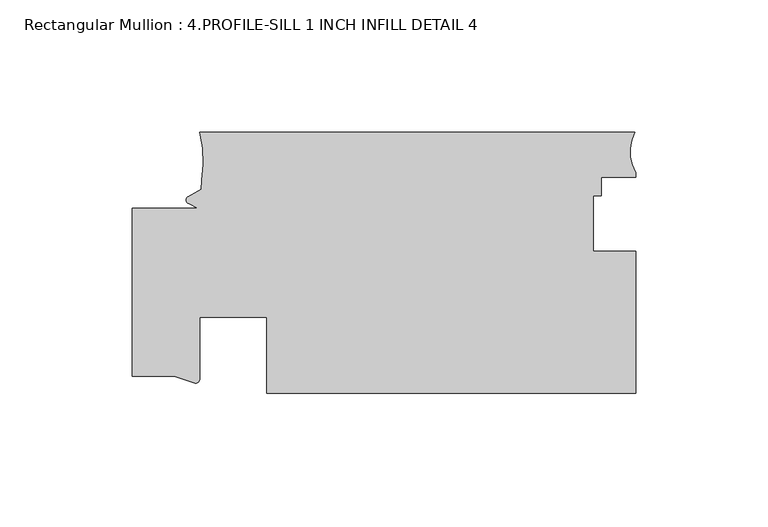
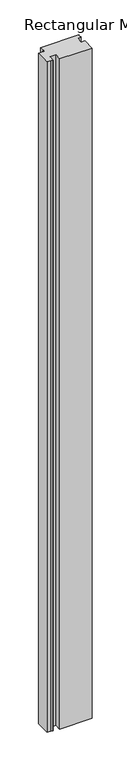
"""IFC4 building model written with IfcOpenShell, lengths in millimetres: member geometry, Rectangular Mullion : 4.PROFILE-SILL 1 INCH INFILL DETAIL 4."""

from ifc_helpers import new_model, si_unit, point, frame, frame_2d, origin, place, context, project, spatial, polyline, circle_curve, trimmed, segment, composite_curve, outline, extrude, source, transform, mapped, element, save


def rectangular_mullion_4_profile_sill_1_inch_infill_detail_4_9ea52e10(model_context):
    return source(origin(), model_context, "Body", "SweptSolid", [
        extrude(outline(composite_curve([segment(polyline([(-139.1915475, -55.1788868), (-139.1921293, -26.604), (-164.592, -26.604), (-164.592, -49.861753)]), True, "CONTINUOUS"), segment(trimmed(circle_curve(frame_2d((-166.293412, -49.780124)), 1.703369), [point((-164.592, -49.861753))], [point((-166.1804292, -51.4797419))], False, "CARTESIAN"), True, "CONTINUOUS"), segment(polyline([(-166.1804292, -51.4797419), (-174.1170977, -48.8288868), (-189.992, -48.8288868), (-189.992, 14.6711132), (-165.3994238, 14.6711132), (-168.8755101, 16.4496588)]), True, "CONTINUOUS"), segment(trimmed(circle_curve(frame_2d((-168.3355965, 17.7381084)), 1.397), [point((-168.8755101, 16.4496588))], [point((-168.8755101, 19.0265579))], False, "CARTESIAN"), True, "CONTINUOUS"), segment(polyline([(-168.8755101, 19.0265579), (-164.0473677, 21.7862854), (-163.8352621, 25.2126147)]), True, "CONTINUOUS"), segment(trimmed(circle_curve(frame_2d((-202.5728025, 32.619702)), 39.4393455), [point((-163.8352621, 25.2126147))], [point((-164.592, 43.2461132))], True, "CARTESIAN"), True, "CONTINUOUS"), segment(polyline([(-164.592, 43.2461132), (-0.381, 43.2461132)]), True, "CONTINUOUS"), segment(trimmed(circle_curve(frame_2d((13.7989391, 36.0134625)), 15.9179744), [point((-0.381, 43.2461132))], [point((0.0, 28.0780237))], True, "CARTESIAN"), True, "CONTINUOUS"), segment(polyline([(0.0, 28.0780237), (0.0, 26.2408119), (-13.0437992, 26.2408119), (-13.0437992, 19.3828121), (-15.8984045, 19.3828121), (-15.8984045, -1.5638371), (0.0, -1.5638371), (0.0, -55.1788868), (-139.1915475, -55.1788868)]), True, "CONTINUOUS")], self_intersect=False)), frame((0.0, 0.0, -3048.0), z_axis=(0.0, 0.0, 1.0), x_axis=(1.0, 0.0, 0.0)), (0.0, 0.0, 1.0), 3048.0),
    ])


if __name__ == "__main__":
    model = new_model("IFC4")
    model_context = context("Model", 3, world=origin())
    ifc_project = project(units=[si_unit("LENGTHUNIT", "METRE", prefix="MILLI")], contexts=[model_context])
    site = spatial("IfcSite", under=ifc_project)
    building = spatial("IfcBuilding", under=site)
    placement = place(None, origin())
    rectangular_mullion_4_profile_sill_1_inch_infill_detail_4_shape = rectangular_mullion_4_profile_sill_1_inch_infill_detail_4_9ea52e10(model_context)
    element("IfcMember", 1, ObjectType="Rectangular Mullion : 4.PROFILE-SILL 1 INCH INFILL DETAIL 4", at=placement, inside=building, context=model_context, shape_type="MappedRepresentation", body=[
        mapped(rectangular_mullion_4_profile_sill_1_inch_infill_detail_4_shape, transform((0.0, 0.0, 0.0), x_axis=(1.0, 0.0, 0.0), y_axis=(0.0, 1.0, 0.0), z_axis=(0.0, 0.0, 1.0))),
    ])
    save(model, "model.ifc")
